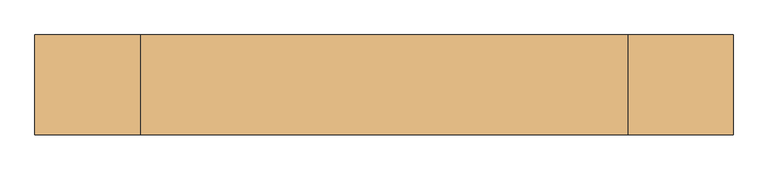
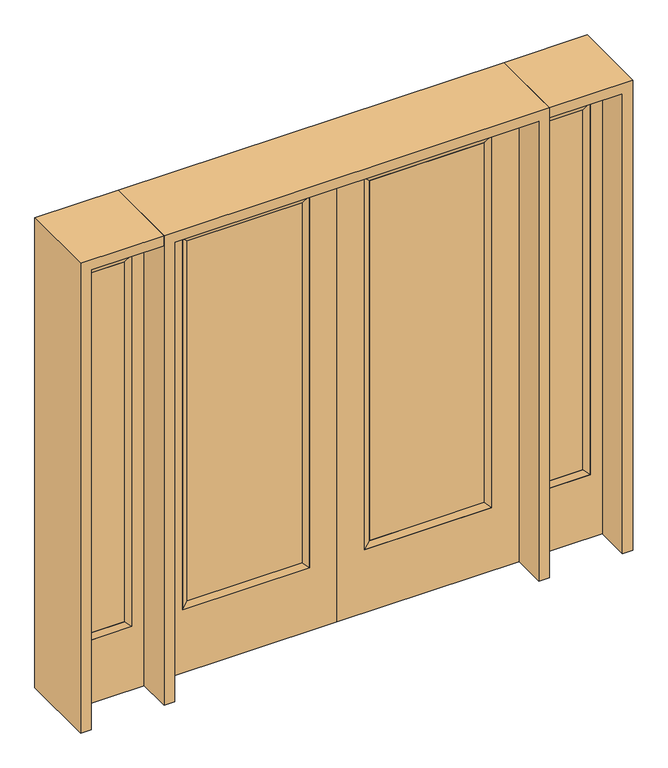
"""IFC4 building model written with IfcOpenShell, lengths in millimetres: door geometry."""

from ifc_helpers import new_model, si_unit, frame, origin, place, context, project, spatial, polyline, outline, extrude, faceted_brep, source, transform, mapped, element, save


def door_799cce4d(model_context):
    return source(origin(), model_context, "Body", "SolidModel", [
        extrude(outline(polyline([(140.8176, -12.7039749), (140.8176, 14.2875), (621.1824, 14.2875), (621.1824, -12.7039749), (140.8176, -12.7039749)])), frame((0.0, 0.0, 304.8), z_axis=(0.0, 0.0, 1.0), x_axis=(1.0, 0.0, 0.0)), (0.0, 0.0, 1.0), 1590.675),
        faceted_brep([(140.8176, 14.2875, 1895.475), (140.8176, 14.2875, 304.8), (115.4176, 22.225, 279.4), (115.4176, 22.225, 1920.875), (115.4176, -22.225, 279.4), (115.4176, -22.225, 1920.875), (621.1824, 14.2875, 304.8), (646.5824, 22.225, 279.4), (140.8176, -12.7039749, 1895.475), (140.8176, -12.7039749, 304.8), (621.1824, -12.7039749, 304.8), (646.5824, -22.225, 279.4), (621.1824, 14.2875, 1895.475), (646.5824, 22.225, 1920.875), (621.1824, -12.7039749, 1895.475), (646.5824, -22.225, 1920.875)], [[[0, 1, 2, 3]], [[3, 2, 4, 5]], [[1, 6, 7, 2]], [[8, 9, 1, 0]], [[9, 10, 6, 1]], [[5, 4, 9, 8]], [[4, 11, 10, 9]], [[2, 7, 11, 4]], [[6, 12, 13, 7]], [[10, 14, 12, 6]], [[11, 15, 14, 10]], [[7, 13, 15, 11]], [[12, 0, 3, 13]], [[14, 8, 0, 12]], [[15, 5, 8, 14]], [[13, 3, 5, 15]]]),
        extrude(outline(polyline([(0.0, 762.0), (2032.0, 762.0), (2032.0, 0.0), (0.0, 0.0), (0.0, 762.0)]), holes=[polyline([(279.4, 646.5824), (279.4, 115.4176), (1920.875, 115.4176), (1920.875, 646.5824), (279.4, 646.5824)])]), frame((0.0, -22.225, 0.0), z_axis=(0.0, 1.0, 0.0), x_axis=(0.0, 0.0, 1.0)), (0.0, 0.0, 1.0), 44.45),
        extrude(outline(polyline([(-140.8176, -12.7039749), (-621.1824, -12.7039749), (-621.1824, 14.2875), (-140.8176, 14.2875), (-140.8176, -12.7039749)])), frame((0.0, 0.0, 304.8), z_axis=(0.0, 0.0, 1.0), x_axis=(1.0, 0.0, 0.0)), (0.0, 0.0, 1.0), 1590.675),
        faceted_brep([(-140.8176, 14.2875, 1895.475), (-115.4176, 22.225, 1920.875), (-115.4176, 22.225, 279.4), (-140.8176, 14.2875, 304.8), (-115.4176, -22.225, 1920.875), (-115.4176, -22.225, 279.4), (-646.5824, 22.225, 279.4), (-621.1824, 14.2875, 304.8), (-140.8176, -12.7039749, 1895.475), (-140.8176, -12.7039749, 304.8), (-621.1824, -12.7039749, 304.8), (-646.5824, -22.225, 279.4), (-646.5824, 22.225, 1920.875), (-621.1824, 14.2875, 1895.475), (-621.1824, -12.7039749, 1895.475), (-646.5824, -22.225, 1920.875)], [[[0, 1, 2, 3]], [[1, 4, 5, 2]], [[3, 2, 6, 7]], [[8, 0, 3, 9]], [[9, 3, 7, 10]], [[4, 8, 9, 5]], [[5, 9, 10, 11]], [[2, 5, 11, 6]], [[7, 6, 12, 13]], [[10, 7, 13, 14]], [[11, 10, 14, 15]], [[6, 11, 15, 12]], [[13, 12, 1, 0]], [[14, 13, 0, 8]], [[15, 14, 8, 4]], [[12, 15, 4, 1]]]),
        extrude(outline(polyline([(0.0, -762.0), (0.0, 0.0), (2032.0, 0.0), (2032.0, -762.0), (0.0, -762.0)]), holes=[polyline([(279.4, -646.5824), (1920.875, -646.5824), (1920.875, -115.4176), (279.4, -115.4176), (279.4, -646.5824)])]), frame((0.0, -22.225, 0.0), z_axis=(0.0, 1.0, 0.0), x_axis=(0.0, 0.0, 1.0)), (0.0, 0.0, 1.0), 44.45),
        faceted_brep([(857.25, 20.6375, 1920.875), (857.25, 20.6375, 279.4), (857.25, -20.6375, 279.4), (857.25, -20.6375, 1920.875), (882.65, -12.7, 304.8), (882.65, -12.7, 1895.475), (1060.45, 20.6375, 279.4), (1060.45, -20.6375, 279.4), (882.65, 12.7, 1895.475), (882.65, 12.7, 304.8), (1035.05, 12.7, 304.8), (1035.05, -12.7, 304.8), (1060.45, 20.6375, 1920.875), (1060.45, -20.6375, 1920.875), (1035.05, 12.7, 1895.475), (1035.05, -12.7, 1895.475)], [[[0, 1, 2, 3]], [[3, 2, 4, 5]], [[1, 6, 7, 2]], [[8, 9, 1, 0]], [[9, 10, 6, 1]], [[5, 4, 9, 8]], [[4, 11, 10, 9]], [[2, 7, 11, 4]], [[6, 12, 13, 7]], [[10, 14, 12, 6]], [[11, 15, 14, 10]], [[7, 13, 15, 11]], [[12, 0, 3, 13]], [[14, 8, 0, 12]], [[15, 5, 8, 14]], [[13, 3, 5, 15]]]),
        extrude(outline(polyline([(0.0, 1111.25), (2032.0, 1111.25), (2032.0, 806.45), (0.0, 806.45), (0.0, 1111.25)]), holes=[polyline([(1920.875, 857.25), (1920.875, 1060.45), (279.4, 1060.45), (279.4, 857.25), (1920.875, 857.25)])]), frame((0.0, -20.6375, 0.0), z_axis=(0.0, 1.0, 0.0), x_axis=(0.0, 0.0, 1.0)), (0.0, 0.0, 1.0), 41.275),
        extrude(outline(polyline([(882.65, -12.7), (882.65, 12.7), (1035.05, 12.7), (1035.05, -12.7), (882.65, -12.7)])), frame((0.0, 0.0, 304.8), z_axis=(0.0, 0.0, 1.0), x_axis=(1.0, 0.0, 0.0)), (0.0, 0.0, 1.0), 1590.675),
        faceted_brep([(-857.25, 20.6375, 1920.875), (-857.25, -20.6375, 1920.875), (-857.25, -20.6375, 279.4), (-857.25, 20.6375, 279.4), (-882.65, -12.7, 1895.475), (-882.65, -12.7, 304.8), (-1060.45, -20.6375, 279.4), (-1060.45, 20.6375, 279.4), (-882.65, 12.7, 1895.475), (-882.65, 12.7, 304.8), (-1035.05, 12.7, 304.8), (-1035.05, -12.7, 304.8), (-1060.45, -20.6375, 1920.875), (-1060.45, 20.6375, 1920.875), (-1035.05, 12.7, 1895.475), (-1035.05, -12.7, 1895.475)], [[[0, 1, 2, 3]], [[1, 4, 5, 2]], [[3, 2, 6, 7]], [[8, 0, 3, 9]], [[9, 3, 7, 10]], [[4, 8, 9, 5]], [[5, 9, 10, 11]], [[2, 5, 11, 6]], [[7, 6, 12, 13]], [[10, 7, 13, 14]], [[11, 10, 14, 15]], [[6, 11, 15, 12]], [[13, 12, 1, 0]], [[14, 13, 0, 8]], [[15, 14, 8, 4]], [[12, 15, 4, 1]]]),
        extrude(outline(polyline([(0.0, -1111.25), (0.0, -806.45), (2032.0, -806.45), (2032.0, -1111.25), (0.0, -1111.25)]), holes=[polyline([(1920.875, -857.25), (279.4, -857.25), (279.4, -1060.45), (1920.875, -1060.45), (1920.875, -857.25)])]), frame((0.0, -20.6375, 0.0), z_axis=(0.0, 1.0, 0.0), x_axis=(0.0, 0.0, 1.0)), (0.0, 0.0, 1.0), 41.275),
        extrude(outline(polyline([(-882.65, -12.7), (-1035.05, -12.7), (-1035.05, 12.7), (-882.65, 12.7), (-882.65, -12.7)])), frame((0.0, 0.0, 304.8), z_axis=(0.0, 0.0, 1.0), x_axis=(1.0, 0.0, 0.0)), (0.0, 0.0, 1.0), 1590.675),
        extrude(outline(polyline([(2032.0, -806.45), (2076.45, -806.45), (2076.45, -1155.7), (0.0, -1155.7), (0.0, -1111.25), (2032.0, -1111.25), (2032.0, -806.45)])), frame((0.0, -165.1, 0.0), z_axis=(0.0, 1.0, 0.0), x_axis=(0.0, 0.0, 1.0)), (0.0, 0.0, 1.0), 330.2),
        extrude(outline(polyline([(2076.45, -806.45), (0.0, -806.45), (0.0, -762.0), (2032.0, -762.0), (2032.0, 762.0), (0.0, 762.0), (0.0, 806.45), (2076.45, 806.45), (2076.45, -806.45)])), frame((0.0, -165.1, 0.0), z_axis=(0.0, 1.0, 0.0), x_axis=(0.0, 0.0, 1.0)), (0.0, 0.0, 1.0), 330.2),
        extrude(outline(polyline([(0.0, 1111.25), (0.0, 1155.7), (2076.45, 1155.7), (2076.45, 806.45), (2032.0, 806.45), (2032.0, 1111.25), (0.0, 1111.25)])), frame((0.0, -165.1, 0.0), z_axis=(0.0, 1.0, 0.0), x_axis=(0.0, 0.0, 1.0)), (0.0, 0.0, 1.0), 330.2),
    ])


if __name__ == "__main__":
    model = new_model("IFC4")
    model_context = context("Model", 3, world=origin())
    ifc_project = project(units=[si_unit("LENGTHUNIT", "METRE", prefix="MILLI")], contexts=[model_context])
    site = spatial("IfcSite", under=ifc_project)
    building = spatial("IfcBuilding", under=site)
    placement = place(None, origin())
    door_shape = door_799cce4d(model_context)
    element("IfcDoor", 1, at=placement, inside=building, context=model_context, shape_type="MappedRepresentation", body=[
        mapped(door_shape, transform((0.0, 0.0, 0.0), x_axis=(1.0, 0.0, 0.0), y_axis=(0.0, 1.0, 0.0), z_axis=(0.0, 0.0, 1.0))),
    ])
    save(model, "model.ifc")
